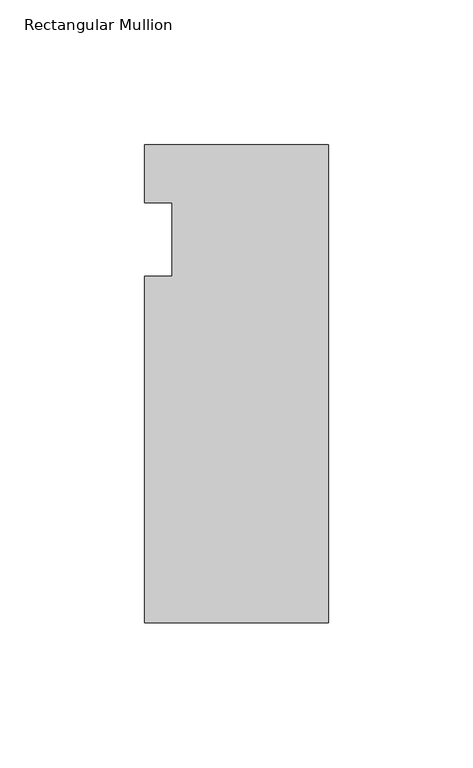
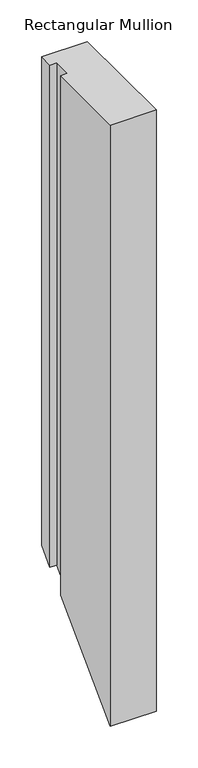
"""IFC4 building model written with IfcOpenShell, lengths in millimetres: member geometry, Rectangular Mullion."""

from ifc_helpers import new_model, si_unit, origin, place, context, project, spatial, faceted_brep, source, transform, mapped, element, save


def rectangular_mullion_85c4db21(model_context):
    return source(origin(), model_context, "Body", "Brep", [
        faceted_brep([(-63.5, 20.0421875, 0.0), (-63.5, 0.0, 0.0), (-53.975, 0.0, 0.0), (-53.975, -25.4, 0.0), (-63.5, -25.4, 0.0), (-63.5, -145.0578125, 0.0), (0.0, -145.0578125, 0.0), (0.0, 20.0421875, 0.0), (-63.5, 20.0421875, -716.5578125), (-63.5, 0.0, -736.6), (-53.975, 0.0, -736.6), (-53.975, -25.4, -762.0), (-63.5, -25.4, -762.0), (-63.5, -145.0578125, -881.6578125), (0.0, -145.0578125, -881.6578125), (0.0, 20.0421875, -716.5578125)], [[[0, 1, 2, 3, 4, 5, 6, 7]], [[1, 0, 8, 9]], [[2, 1, 9, 10]], [[3, 2, 10, 11]], [[4, 3, 11, 12]], [[5, 4, 12, 13]], [[6, 5, 13, 14]], [[7, 6, 14, 15]], [[0, 7, 15, 8]], [[8, 15, 14, 13, 12, 11, 10, 9]]]),
    ])


if __name__ == "__main__":
    model = new_model("IFC4")
    model_context = context("Model", 3, world=origin())
    ifc_project = project(units=[si_unit("LENGTHUNIT", "METRE", prefix="MILLI")], contexts=[model_context])
    site = spatial("IfcSite", under=ifc_project)
    building = spatial("IfcBuilding", under=site)
    placement = place(None, origin())
    rectangular_mullion_shape = rectangular_mullion_85c4db21(model_context)
    element("IfcMember", 1, ObjectType="Rectangular Mullion", at=placement, inside=building, context=model_context, shape_type="MappedRepresentation", body=[
        mapped(rectangular_mullion_shape, transform((0.0, 0.0, 0.0), x_axis=(1.0, 0.0, 0.0), y_axis=(0.0, 1.0, 0.0), z_axis=(0.0, 0.0, 1.0))),
    ])
    save(model, "model.ifc")
